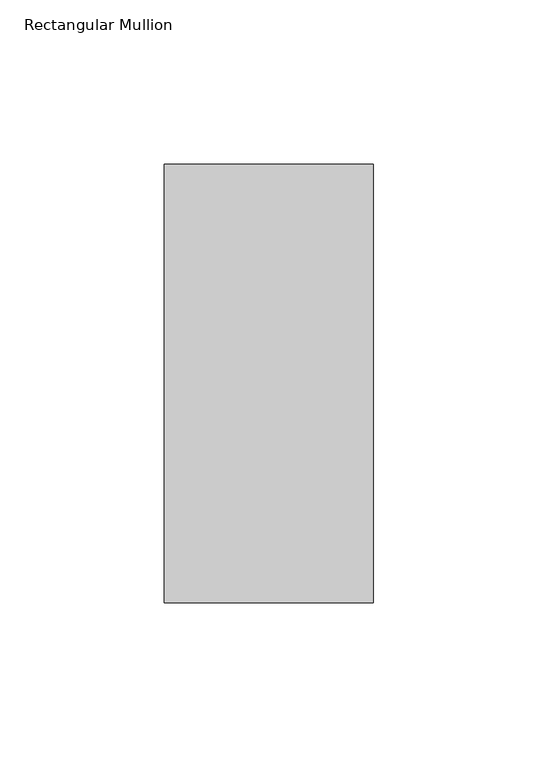
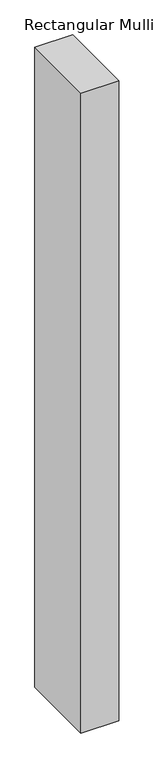
"""IFC4 building model written with IfcOpenShell, lengths in millimetres: member geometry, Rectangular Mullion."""

import ifcopenshell
import ifcopenshell.guid

model = None  # the IFC model being written
_history = None  # IfcOwnerHistory: only IFC2X3 demands one
_inside = {}  # id of a spatial element -> (the spatial element, [elements in it])
_under = {}  # id of a project, library or spatial element -> (it, [spatial elements below it])
_declared = {}  # id of a project -> (the project, [libraries it declares])
_typed = {}  # id of a type object -> (the type object, [elements of that type])
_made_of = {}  # id of a material, layer set ... -> (it, [elements and type objects made of it])


def new_model(schema):
    """Start an empty IFC model of exactly this schema.

    Asked for "IFC4X3", IfcOpenShell would pick the latest addendum, in which some entities
    have other attributes; the version numbers below select the first issue.
    IFC2X3 requires an IfcOwnerHistory on every rooted entity: one is made here for all.
    """
    global model, _history
    if schema == "IFC4X3":
        model = ifcopenshell.file(schema_version=(4, 3, 0, 0))
    else:
        model = ifcopenshell.file(schema=schema)
    _inside.clear()
    _under.clear()
    _declared.clear()
    _typed.clear()
    _made_of.clear()
    _history = None
    if model.schema == "IFC2X3":
        org = make("IfcOrganization", Name="unknown")
        user = make(
            "IfcPersonAndOrganization",
            ThePerson=make("IfcPerson", FamilyName="unknown"),
            TheOrganization=org,
        )
        app = make(
            "IfcApplication",
            ApplicationDeveloper=org,
            Version="unknown",
            ApplicationFullName="unknown",
            ApplicationIdentifier="unknown",
        )
        _history = make(
            "IfcOwnerHistory",
            OwningUser=user,
            OwningApplication=app,
            ChangeAction="ADDED",
            CreationDate=0,
        )
    return model


def make(cls, **values):
    """One entity of the class cls with the attributes given. An attribute that is None is left unset."""
    return model.create_entity(
        cls, **{name: value for name, value in values.items() if value is not None}
    )


def rooted(cls, **values):
    """An entity with a GlobalId (a new one), such as an element, a storey or a relation."""
    return make(cls, GlobalId=ifcopenshell.guid.new(), OwnerHistory=_history, **values)


def si_unit(unit_type, name, prefix=None):
    """IfcSIUnit, for example si_unit("LENGTHUNIT", "METRE", prefix="MILLI")."""
    return make("IfcSIUnit", UnitType=unit_type, Prefix=prefix, Name=name)


def assignment(units):
    """IfcUnitAssignment: the units of a project."""
    return None if units is None else make("IfcUnitAssignment", Units=units)


def point(xyz):
    """IfcCartesianPoint."""
    return None if xyz is None else make("IfcCartesianPoint", Coordinates=xyz)


def direction(xyz):
    """IfcDirection."""
    return None if xyz is None else make("IfcDirection", DirectionRatios=xyz)


def frame(location, z_axis=None, x_axis=None):
    """IfcAxis2Placement3D, a coordinate frame: its origin and axes. An axis left out is left unset."""
    return make(
        "IfcAxis2Placement3D",
        Location=point(location),
        Axis=direction(z_axis),
        RefDirection=direction(x_axis),
    )


def origin():
    """The frame at (0, 0, 0) with its axes left unset."""
    return frame((0.0, 0.0, 0.0))


def place(relative_to, where):
    """IfcLocalPlacement: puts the frame where relative to a parent placement (None: the world)."""
    return make(
        "IfcLocalPlacement", PlacementRelTo=relative_to, RelativePlacement=where
    )


def context(
    kind, dimensions, precision=None, world=None, true_north=None, identifier=None
):
    """IfcGeometricRepresentationContext, for example the 3D "Model" context."""
    return make(
        "IfcGeometricRepresentationContext",
        ContextIdentifier=identifier,
        ContextType=kind,
        CoordinateSpaceDimension=dimensions,
        Precision=precision,
        WorldCoordinateSystem=world,
        TrueNorth=true_north,
    )


def project(units=None, contexts=None):
    """IfcProject with its units and contexts."""
    return rooted(
        "IfcProject",
        Name="project",
        RepresentationContexts=contexts,
        UnitsInContext=assignment(units),
    )


def spatial(cls, under=None, at=None, **own):
    """A site, building, storey or space (cls), placed at a placement, below another one or the project."""
    s = rooted(cls, ObjectPlacement=at, **own)
    if under is not None:
        _under.setdefault(under.id(), (under, []))[1].append(s)
    return s


def polyline(points):
    """IfcPolyline through the points."""
    return make("IfcPolyline", Points=[point(p) for p in points])


def outline(outer, holes=None, kind="AREA"):
    """IfcArbitraryClosedProfileDef: a profile drawn as a closed curve; with holes, ...WithVoids."""
    if holes is None:
        return make("IfcArbitraryClosedProfileDef", ProfileType=kind, OuterCurve=outer)
    return make(
        "IfcArbitraryProfileDefWithVoids",
        ProfileType=kind,
        OuterCurve=outer,
        InnerCurves=holes,
    )


def extrude(swept, where, along, depth):
    """IfcExtrudedAreaSolid: the profile swept, set in the frame where, extruded along a direction by depth."""
    return make(
        "IfcExtrudedAreaSolid",
        SweptArea=swept,
        Position=where,
        ExtrudedDirection=direction(along),
        Depth=depth,
    )


def shape(context_of_items, identifier, shape_type, items):
    """IfcShapeRepresentation: the items that make up one representation, for example the "Body"."""
    return make(
        "IfcShapeRepresentation",
        ContextOfItems=context_of_items,
        RepresentationIdentifier=identifier,
        RepresentationType=shape_type,
        Items=items,
    )


def source(mapping_origin, context_of_items, identifier, shape_type, items):
    """IfcRepresentationMap: a shape defined once, which mapped items show again and again."""
    return make(
        "IfcRepresentationMap",
        MappingOrigin=mapping_origin,
        MappedRepresentation=shape(context_of_items, identifier, shape_type, items),
    )


def transform(
    local_origin,
    x_axis=None,
    y_axis=None,
    z_axis=None,
    scale=None,
    scale2=None,
    scale3=None,
    uniform=True,
):
    """IfcCartesianTransformationOperator3D, or its non-uniform kind. x_axis, y_axis, z_axis: its Axis1, 2, 3."""
    if uniform:
        return make(
            "IfcCartesianTransformationOperator3D",
            Axis1=direction(x_axis),
            Axis2=direction(y_axis),
            LocalOrigin=point(local_origin),
            Scale=scale,
            Axis3=direction(z_axis),
        )
    return make(
        "IfcCartesianTransformationOperator3DnonUniform",
        Axis1=direction(x_axis),
        Axis2=direction(y_axis),
        LocalOrigin=point(local_origin),
        Scale=scale,
        Axis3=direction(z_axis),
        Scale2=scale2,
        Scale3=scale3,
    )


def mapped(mapping_source, mapping_target):
    """IfcMappedItem: shows the shape of a source again, moved by a transform."""
    return make(
        "IfcMappedItem", MappingSource=mapping_source, MappingTarget=mapping_target
    )


def made_of(thing, what):
    """Note that an element or type object is made of a material, layer set ...; save() writes the relation."""
    if what is not None:
        _made_of.setdefault(what.id(), (what, []))[1].append(thing)
    return thing


def element(
    cls,
    number,
    at=None,
    inside=None,
    cuts=None,
    type_object=None,
    material=None,
    context=None,
    identifier="Body",
    shape_type=None,
    held_by="IfcProductDefinitionShape",
    body=None,
    shapes=None,
    **own,
):
    """One element of the class cls, such as IfcWall. Its Tag is "e" and its number.

    at: its placement. inside: the storey or other place that contains it. cuts: it is an
    opening in that element (IfcRelVoidsElement). A single representation is given by context,
    identifier, shape_type and body (its items); several are given by shapes. held_by: the class
    of the entity that holds the representations. save() writes the other relations.
    """
    e = rooted(cls, Tag="e%d" % number, ObjectPlacement=at, **own)
    if body is not None:
        shapes = [shape(context, identifier, shape_type, body)]
    if shapes is not None:
        e.Representation = make(held_by, Representations=shapes)
    if inside is not None:
        _inside.setdefault(inside.id(), (inside, []))[1].append(e)
    if cuts is not None:
        rooted(
            "IfcRelVoidsElement", RelatingBuildingElement=cuts, RelatedOpeningElement=e
        )
    if type_object is not None:
        _typed.setdefault(type_object.id(), (type_object, []))[1].append(e)
    return made_of(e, material)


def aggregate(whole, parts):
    """IfcRelAggregates: a whole, such as a stair, and the parts it consists of."""
    return rooted("IfcRelAggregates", RelatingObject=whole, RelatedObjects=parts)


def save(model, path):
    """Write the relations noted so far, then the file.

    IfcRelAggregates (storeys below a building ...), IfcRelContainedInSpatialStructure (elements
    in a storey), IfcRelDefinesByType, IfcRelAssociatesMaterial and IfcRelDeclares: one each for
    every whole, place, type object, material and project.
    """
    for whole, parts in _under.values():
        aggregate(whole, parts)
    for where, things in _inside.values():
        rooted(
            "IfcRelContainedInSpatialStructure",
            RelatedElements=things,
            RelatingStructure=where,
        )
    for kind, things in _typed.values():
        rooted("IfcRelDefinesByType", RelatedObjects=things, RelatingType=kind)
    for what, things in _made_of.values():
        rooted("IfcRelAssociatesMaterial", RelatedObjects=things, RelatingMaterial=what)
    for by, libraries in _declared.values():
        rooted("IfcRelDeclares", RelatingContext=by, RelatedDefinitions=libraries)
    model.write(path)


def rectangular_mullion_9292173b(model_context):
    return source(origin(), model_context, "Body", "SweptSolid", [
        extrude(outline(polyline([(-31.75, 192.88125), (31.75, 192.88125), (31.75, 59.53125), (-31.75, 59.53125), (-31.75, 192.88125)])), frame((0.0, 0.0, -1130.3), z_axis=(0.0, 0.0, 1.0), x_axis=(1.0, 0.0, 0.0)), (0.0, 0.0, 1.0), 1130.3),
    ])


if __name__ == "__main__":
    model = new_model("IFC4")
    model_context = context("Model", 3, world=origin())
    ifc_project = project(units=[si_unit("LENGTHUNIT", "METRE", prefix="MILLI")], contexts=[model_context])
    site = spatial("IfcSite", under=ifc_project)
    building = spatial("IfcBuilding", under=site)
    placement = place(None, origin())
    rectangular_mullion_shape = rectangular_mullion_9292173b(model_context)
    element("IfcMember", 1, ObjectType="Rectangular Mullion", at=placement, inside=building, context=model_context, shape_type="MappedRepresentation", body=[
        mapped(rectangular_mullion_shape, transform((0.0, 0.0, 0.0), x_axis=(1.0, 0.0, 0.0), y_axis=(0.0, 1.0, 0.0), z_axis=(0.0, 0.0, 1.0))),
    ])
    save(model, "model.ifc")
